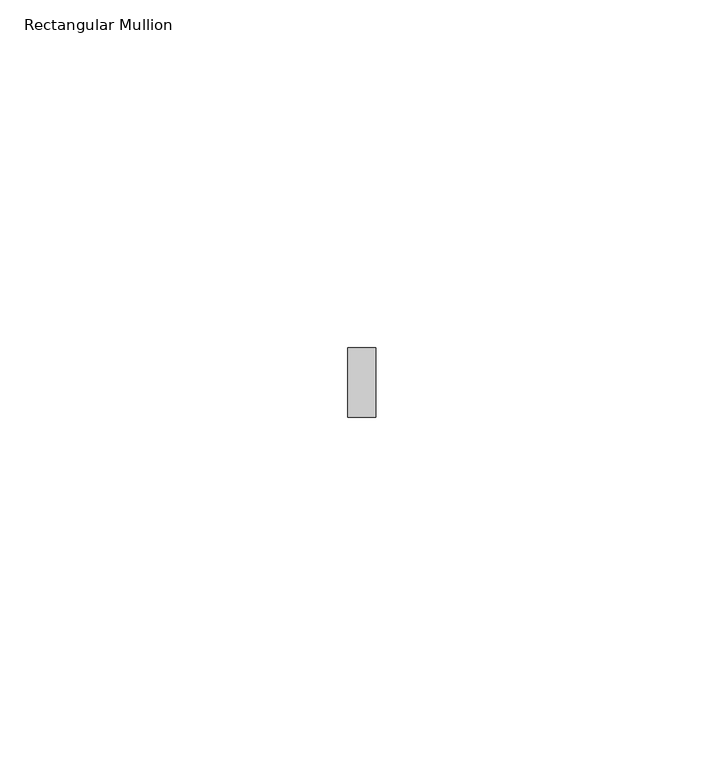
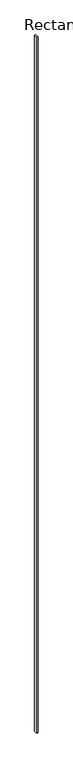
"""IFC4 building model written with IfcOpenShell, lengths in millimetres: member geometry, Rectangular Mullion."""

from ifc_helpers import new_model, si_unit, frame, origin, place, context, project, spatial, polyline, outline, extrude, source, transform, mapped, element, save


def rectangular_mullion_ebbff523(model_context):
    return source(origin(), model_context, "Body", "SweptSolid", [
        extrude(outline(polyline([(2.0, 0.0), (2.0, -10.0), (-2.0, -10.0), (-2.0, 0.0), (2.0, 0.0)])), frame((0.0, 0.0, -2239.0), z_axis=(0.0, 0.0, 1.0), x_axis=(1.0, 0.0, 0.0)), (0.0, 0.0, 1.0), 2239.0),
    ])


if __name__ == "__main__":
    model = new_model("IFC4")
    model_context = context("Model", 3, world=origin())
    ifc_project = project(units=[si_unit("LENGTHUNIT", "METRE", prefix="MILLI")], contexts=[model_context])
    site = spatial("IfcSite", under=ifc_project)
    building = spatial("IfcBuilding", under=site)
    placement = place(None, origin())
    rectangular_mullion_shape = rectangular_mullion_ebbff523(model_context)
    element("IfcMember", 1, ObjectType="Rectangular Mullion", at=placement, inside=building, context=model_context, shape_type="MappedRepresentation", body=[
        mapped(rectangular_mullion_shape, transform((0.0, 0.0, 0.0), x_axis=(1.0, 0.0, 0.0), y_axis=(0.0, 1.0, 0.0), z_axis=(0.0, 0.0, 1.0))),
    ])
    save(model, "model.ifc")
